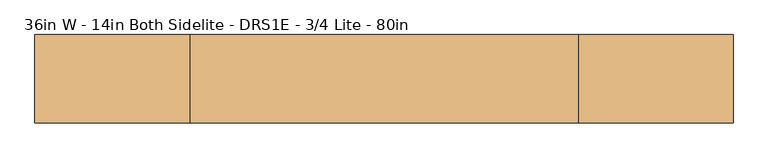
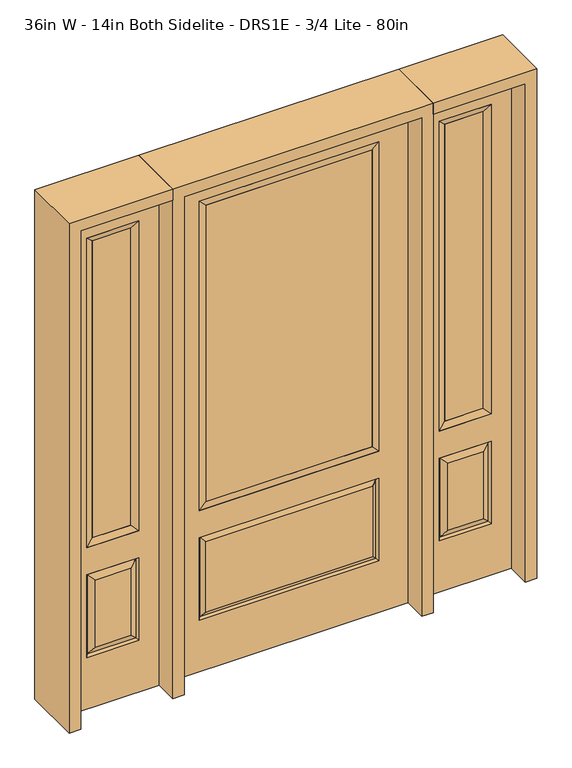
"""IFC4 building model written with IfcOpenShell, lengths in millimetres: door geometry, 36in W - 14in Both Sidelite - DRS1E - 3/4 Lite - 80in."""

from ifc_helpers import new_model, si_unit, frame, origin, place, context, project, spatial, polyline, outline, extrude, faceted_brep, source, transform, mapped, element, save


def door_36in_w_14in_both_sidelite_drs1e_3_4_lite_80in_899e8d08(model_context):
    return source(origin(), model_context, "Body", "SolidModel", [
        faceted_brep([(501.65, -22.225, 0.0), (857.25, -22.225, 0.0), (857.25, -22.225, 2032.0), (501.65, -22.225, 2032.0), (779.78, -22.225, 1919.224), (779.78, -22.225, 657.098), (579.12, -22.225, 657.098), (579.12, -22.225, 1919.224), (779.78, -22.225, 209.55), (579.12, -22.225, 209.55), (579.12, -22.225, 546.1), (779.78, -22.225, 546.1), (610.8351001, -22.225, 241.2651001), (748.0648999, -22.225, 241.2651001), (748.0648999, -22.225, 514.3848999), (610.8351001, -22.225, 514.3848999), (501.65, 22.225, 0.0), (501.65, 22.225, 2032.0), (857.25, 22.225, 2032.0), (857.25, 22.225, 0.0), (779.78, 22.225, 1919.224), (579.12, 22.225, 1919.224), (579.12, 22.225, 657.098), (779.78, 22.225, 657.098), (579.12, 22.225, 209.55), (779.78, 22.225, 209.55), (779.78, 22.225, 546.1), (579.12, 22.225, 546.1), (748.0648999, 22.225, 241.2651001), (610.8351001, 22.225, 241.2651001), (610.8351001, 22.225, 514.3848999), (748.0648999, 22.225, 514.3848999), (772.6711499, 12.7912373, 216.6588501), (586.2288501, 12.7912373, 216.6588501), (586.2288501, 12.7912373, 538.9911499), (772.6711499, 12.7912373, 538.9911499), (586.2288501, -12.7912373, 216.6588501), (772.6711499, -12.7912373, 216.6588501), (586.2288501, -12.7912373, 538.9911499), (772.6711499, -12.7912373, 538.9911499)], [[[0, 1, 2, 3], [4, 5, 6, 7], [8, 9, 10, 11]], [[12, 13, 14, 15]], [[16, 17, 18, 19], [20, 21, 22, 23], [24, 25, 26, 27]], [[28, 29, 30, 31]], [[1, 0, 16, 19]], [[2, 1, 19, 18]], [[3, 2, 18, 17]], [[0, 3, 17, 16]], [[5, 4, 20, 23]], [[6, 5, 23, 22]], [[7, 6, 22, 21]], [[4, 7, 21, 20]], [[32, 33, 29, 28]], [[33, 32, 25, 24]], [[29, 33, 34, 30]], [[33, 24, 27, 34]], [[30, 34, 35, 31]], [[34, 27, 26, 35]], [[32, 28, 31, 35]], [[25, 32, 35, 26]], [[12, 36, 37, 13]], [[37, 36, 9, 8]], [[36, 12, 15, 38]], [[9, 36, 38, 10]], [[38, 15, 14, 39]], [[10, 38, 39, 11]], [[13, 37, 39, 14]], [[37, 8, 11, 39]]]),
        faceted_brep([(579.12, 22.225, 1919.224), (579.12, -22.225, 1919.224), (779.78, -22.225, 1919.224), (779.78, 22.225, 1919.224), (604.52, 12.7, 1893.824), (754.38, 12.7, 1893.824), (604.52, -12.7, 1893.824), (754.38, -12.7, 1893.824), (779.78, -22.225, 657.098), (779.78, 22.225, 657.098), (754.38, 12.7, 682.498), (754.38, -12.7, 682.498), (579.12, -22.225, 657.098), (579.12, 22.225, 657.098), (604.52, 12.7, 682.498), (604.52, -12.7, 682.498)], [[[0, 1, 2, 3]], [[4, 0, 3, 5]], [[6, 4, 5, 7]], [[1, 6, 7, 2]], [[3, 2, 8, 9]], [[5, 3, 9, 10]], [[7, 5, 10, 11]], [[2, 7, 11, 8]], [[9, 8, 12, 13]], [[10, 9, 13, 14]], [[11, 10, 14, 15]], [[8, 11, 15, 12]], [[13, 12, 1, 0]], [[14, 13, 0, 4]], [[15, 14, 4, 6]], [[12, 15, 6, 1]]]),
        extrude(outline(polyline([(754.38, -12.7), (604.52, -12.7), (604.52, 12.7), (754.38, 12.7), (754.38, -12.7)])), frame((0.0, 0.0, 682.498), z_axis=(0.0, 0.0, 1.0), x_axis=(1.0, 0.0, 0.0)), (0.0, 0.0, 1.0), 1211.326),
        faceted_brep([(-857.25, -22.225, 0.0), (-501.65, -22.225, 0.0), (-501.65, -22.225, 2032.0), (-857.25, -22.225, 2032.0), (-579.12, -22.225, 1919.224), (-579.12, -22.225, 657.098), (-779.78, -22.225, 657.098), (-779.78, -22.225, 1919.224), (-579.12, -22.225, 209.55), (-779.78, -22.225, 209.55), (-779.78, -22.225, 546.1), (-579.12, -22.225, 546.1), (-748.0648999, -22.225, 241.2651001), (-610.8351001, -22.225, 241.2651001), (-610.8351001, -22.225, 514.3848999), (-748.0648999, -22.225, 514.3848999), (-857.25, 22.225, 0.0), (-857.25, 22.225, 2032.0), (-501.65, 22.225, 2032.0), (-501.65, 22.225, 0.0), (-579.12, 22.225, 1919.224), (-779.78, 22.225, 1919.224), (-779.78, 22.225, 657.098), (-579.12, 22.225, 657.098), (-779.78, 22.225, 209.55), (-579.12, 22.225, 209.55), (-579.12, 22.225, 546.1), (-779.78, 22.225, 546.1), (-610.8351001, 22.225, 241.2651001), (-748.0648999, 22.225, 241.2651001), (-748.0648999, 22.225, 514.3848999), (-610.8351001, 22.225, 514.3848999), (-586.2288501, 12.7912373, 216.6588501), (-772.6711499, 12.7912373, 216.6588501), (-772.6711499, 12.7912373, 538.9911499), (-586.2288501, 12.7912373, 538.9911499), (-772.6711499, -12.7912373, 216.6588501), (-586.2288501, -12.7912373, 216.6588501), (-772.6711499, -12.7912373, 538.9911499), (-586.2288501, -12.7912373, 538.9911499)], [[[0, 1, 2, 3], [4, 5, 6, 7], [8, 9, 10, 11]], [[12, 13, 14, 15]], [[16, 17, 18, 19], [20, 21, 22, 23], [24, 25, 26, 27]], [[28, 29, 30, 31]], [[1, 0, 16, 19]], [[2, 1, 19, 18]], [[3, 2, 18, 17]], [[0, 3, 17, 16]], [[5, 4, 20, 23]], [[6, 5, 23, 22]], [[7, 6, 22, 21]], [[4, 7, 21, 20]], [[32, 33, 29, 28]], [[33, 32, 25, 24]], [[29, 33, 34, 30]], [[33, 24, 27, 34]], [[30, 34, 35, 31]], [[34, 27, 26, 35]], [[32, 28, 31, 35]], [[25, 32, 35, 26]], [[12, 36, 37, 13]], [[37, 36, 9, 8]], [[36, 12, 15, 38]], [[9, 36, 38, 10]], [[38, 15, 14, 39]], [[10, 38, 39, 11]], [[13, 37, 39, 14]], [[37, 8, 11, 39]]]),
        faceted_brep([(-779.78, 22.225, 1919.224), (-779.78, -22.225, 1919.224), (-579.12, -22.225, 1919.224), (-579.12, 22.225, 1919.224), (-754.38, 12.7, 1893.824), (-604.52, 12.7, 1893.824), (-754.38, -12.7, 1893.824), (-604.52, -12.7, 1893.824), (-579.12, -22.225, 657.098), (-579.12, 22.225, 657.098), (-604.52, 12.7, 682.498), (-604.52, -12.7, 682.498), (-779.78, -22.225, 657.098), (-779.78, 22.225, 657.098), (-754.38, 12.7, 682.498), (-754.38, -12.7, 682.498)], [[[0, 1, 2, 3]], [[4, 0, 3, 5]], [[6, 4, 5, 7]], [[1, 6, 7, 2]], [[3, 2, 8, 9]], [[5, 3, 9, 10]], [[7, 5, 10, 11]], [[2, 7, 11, 8]], [[9, 8, 12, 13]], [[10, 9, 13, 14]], [[11, 10, 14, 15]], [[8, 11, 15, 12]], [[13, 12, 1, 0]], [[14, 13, 0, 4]], [[15, 14, 4, 6]], [[12, 15, 6, 1]]]),
        extrude(outline(polyline([(-604.52, -12.7), (-754.38, -12.7), (-754.38, 12.7), (-604.52, 12.7), (-604.52, -12.7)])), frame((0.0, 0.0, 682.498), z_axis=(0.0, 0.0, 1.0), x_axis=(1.0, 0.0, 0.0)), (0.0, 0.0, 1.0), 1211.326),
        faceted_brep([(-338.9661499, -12.7912373, 216.6588501), (338.9661499, -12.7912373, 216.6588501), (321.46875, -22.225, 234.15625), (-321.46875, -22.225, 234.15625), (-346.075, -22.225, 209.55), (346.075, -22.225, 209.55), (-338.9661499, -12.7912373, 538.9911499), (-346.075, -22.225, 546.1), (321.46875, -22.225, 521.49375), (-321.46875, -22.225, 521.49375), (457.2, -22.225, 2032.0), (-457.2, -22.225, 2032.0), (-457.2, -22.225, 0.0), (457.2, -22.225, 0.0), (346.075, -22.225, 546.1), (346.075, -22.225, 1917.7), (346.075, -22.225, 657.098), (-346.075, -22.225, 657.098), (-346.075, -22.225, 1917.7), (338.9661499, -12.7912373, 538.9911499), (-457.2, 22.225, 2032.0), (-457.2, 22.225, 0.0), (457.2, 22.225, 0.0), (457.2, 22.225, 2032.0), (346.075, 22.225, 1917.7), (346.075, 22.225, 657.098), (-346.075, 22.225, 657.098), (-346.075, 22.225, 1917.7), (-346.075, 22.225, 209.55), (346.075, 22.225, 209.55), (346.075, 22.225, 546.1), (-346.075, 22.225, 546.1), (321.46875, 22.225, 234.15625), (-321.46875, 22.225, 234.15625), (-321.46875, 22.225, 521.49375), (321.46875, 22.225, 521.49375), (-338.9661499, 12.7912373, 216.6588501), (338.9661499, 12.7912373, 216.6588501), (338.9661499, 12.7912373, 538.9911499), (-338.9661499, 12.7912373, 538.9911499)], [[[0, 1, 2, 3]], [[1, 0, 4, 5]], [[4, 0, 6, 7]], [[3, 2, 8, 9]], [[10, 11, 12, 13], [5, 4, 7, 14], [15, 16, 17, 18]], [[1, 5, 14, 19]], [[2, 1, 19, 8]], [[0, 3, 9, 6]], [[7, 6, 19, 14]], [[6, 9, 8, 19]], [[12, 11, 20, 21]], [[13, 12, 21, 22]], [[10, 13, 22, 23]], [[16, 15, 24, 25]], [[17, 16, 25, 26]], [[18, 17, 26, 27]], [[23, 22, 21, 20], [28, 29, 30, 31], [24, 27, 26, 25]], [[32, 33, 34, 35]], [[28, 36, 37, 29]], [[29, 37, 38, 30]], [[39, 31, 30, 38]], [[36, 28, 31, 39]], [[37, 36, 33, 32]], [[33, 36, 39, 34]], [[34, 39, 38, 35]], [[37, 32, 35, 38]], [[11, 10, 23, 20]], [[15, 18, 27, 24]]]),
        faceted_brep([(-346.075, -22.225, 1917.7), (-346.075, 22.225, 1917.7), (-346.075, 22.225, 657.098), (-346.075, -22.225, 657.098), (346.075, 22.225, 657.098), (346.075, -22.225, 657.098), (-320.675, 5.08, 682.498), (320.675, 5.08, 682.498), (346.075, 22.225, 1917.7), (346.075, -22.225, 1917.7), (-320.675, -20.32, 682.498), (320.675, -20.32, 682.498), (-320.675, -20.32, 1892.3), (320.675, -20.32, 1892.3), (-320.675, 5.08, 1892.3), (320.675, 5.08, 1892.3)], [[[0, 1, 2, 3]], [[3, 2, 4, 5]], [[2, 6, 7, 4]], [[5, 4, 8, 9]], [[10, 3, 5, 11]], [[12, 0, 3, 10]], [[11, 5, 9, 13]], [[6, 10, 11, 7]], [[14, 12, 10, 6]], [[7, 11, 13, 15]], [[1, 14, 6, 2]], [[4, 7, 15, 8]], [[9, 8, 1, 0]], [[13, 9, 0, 12]], [[15, 13, 12, 14]], [[8, 15, 14, 1]]]),
        extrude(outline(polyline([(320.675, -20.32), (-320.675, -20.32), (-320.675, 5.08), (320.675, 5.08), (320.675, -20.32)])), frame((0.0, 0.0, 682.498), z_axis=(0.0, 0.0, 1.0), x_axis=(1.0, 0.0, 0.0)), (0.0, 0.0, 1.0), 1209.802),
        extrude(outline(polyline([(2032.0, -501.65), (2076.45, -501.65), (2076.45, -901.7), (0.0, -901.7), (0.0, -857.25), (2032.0, -857.25), (2032.0, -501.65)])), frame((0.0, -114.3, 0.0), z_axis=(0.0, 1.0, 0.0), x_axis=(0.0, 0.0, 1.0)), (0.0, 0.0, 1.0), 228.6),
        extrude(outline(polyline([(2076.45, -501.65), (0.0, -501.65), (0.0, -457.2), (2032.0, -457.2), (2032.0, 457.2), (0.0, 457.2), (0.0, 501.65), (2076.45, 501.65), (2076.45, -501.65)])), frame((0.0, -114.3, 0.0), z_axis=(0.0, 1.0, 0.0), x_axis=(0.0, 0.0, 1.0)), (0.0, 0.0, 1.0), 228.6),
        extrude(outline(polyline([(0.0, 857.25), (0.0, 901.7), (2076.45, 901.7), (2076.45, 501.65), (2032.0, 501.65), (2032.0, 857.25), (0.0, 857.25)])), frame((0.0, -114.3, 0.0), z_axis=(0.0, 1.0, 0.0), x_axis=(0.0, 0.0, 1.0)), (0.0, 0.0, 1.0), 228.6),
    ])


if __name__ == "__main__":
    model = new_model("IFC4")
    model_context = context("Model", 3, world=origin())
    ifc_project = project(units=[si_unit("LENGTHUNIT", "METRE", prefix="MILLI")], contexts=[model_context])
    site = spatial("IfcSite", under=ifc_project)
    building = spatial("IfcBuilding", under=site)
    placement = place(None, origin())
    door_36in_w_14in_both_sidelite_drs1e_3_4_lite_80in_shape = door_36in_w_14in_both_sidelite_drs1e_3_4_lite_80in_899e8d08(model_context)
    element("IfcDoor", 1, ObjectType="36in W - 14in Both Sidelite - DRS1E - 3/4 Lite - 80in", at=placement, inside=building, context=model_context, shape_type="MappedRepresentation", body=[
        mapped(door_36in_w_14in_both_sidelite_drs1e_3_4_lite_80in_shape, transform((0.0, 0.0, 0.0), x_axis=(1.0, 0.0, 0.0), y_axis=(0.0, 1.0, 0.0), z_axis=(0.0, 0.0, 1.0))),
    ])
    save(model, "model.ifc")
